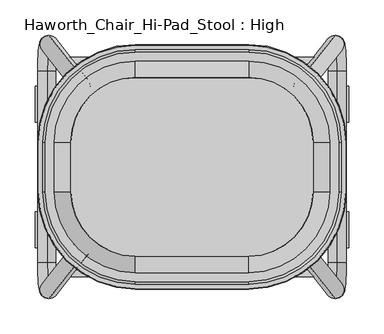
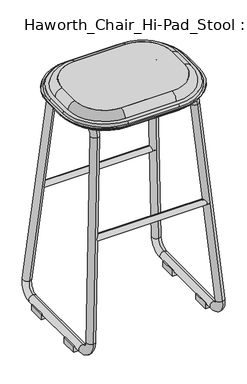
"""IFC4 building model written with IfcOpenShell, lengths in millimetres: furniture geometry, Haworth_Chair_Hi-Pad_Stool : High."""

from ifc_helpers import new_model, si_unit, point, frame, frame_2d, origin, place, context, project, spatial, polyline, circle_curve, ellipse_curve, trimmed, segment, composite_curve, outline, extrude, source, transform, mapped, element, save
from ifc_brep_helpers import plane_surface, cylinder_surface, revolved_surface, advanced_brep


def haworth_chair_hi_pad_stool_high_51b0d21f(model_context):
    return source(origin(), model_context, "Body", "SolidModel", [
        advanced_brep(
        [(-171.9189031, -34.925, 768.35), (-80.1154768, -126.7284262, 768.35), (80.1154768, -126.7284262, 768.35), (171.9189031, -34.925, 768.35), (171.9189031, 34.925, 768.35), (80.1154768, 126.7284262, 768.35), (-80.1154768, 126.7284262, 768.35), (-171.9189031, 34.925, 768.35), (-178.5135382, -34.925, 723.9250418), (-178.5135382, 34.925, 723.9250418), (-80.1154768, 133.3230614, 723.9250418), (80.1154768, 133.3230614, 723.9250418), (178.5135382, 34.925, 723.9250418), (178.5135382, -34.925, 723.9250418), (80.1154768, -133.3230614, 723.9250418), (-80.1154768, -133.3230614, 723.9250418)],
        [
            (0, 1, circle_curve(frame((-80.1154768, -34.925, 768.35), z_axis=(0.0, 0.0, 1.0), x_axis=(-1.0000000000000002, 0.0, 0.0)), 91.8034262)),
            (1, 2),
            (2, 3, circle_curve(frame((80.1154768, -34.925, 768.35), z_axis=(0.0, 0.0, 1.0), x_axis=(0.0, -1.0000000000000002, 0.0)), 91.8034262)),
            (3, 4),
            (4, 5, circle_curve(frame((80.1154768, 34.925, 768.35), z_axis=(0.0, 0.0, 1.0), x_axis=(1.0000000000000002, 0.0, 0.0)), 91.8034262)),
            (5, 6),
            (6, 7, circle_curve(frame((-80.1154768, 34.925, 768.35), z_axis=(0.0, 0.0, 1.0), x_axis=(0.0, 1.0000000000000002, 0.0)), 91.8034262)),
            (7, 0),
            (8, 9),
            (9, 10, circle_curve(frame((-80.1154768, 34.925, 723.9250418), z_axis=(0.0, 0.0, -1.0), x_axis=(0.0, 1.0000000000000002, 0.0)), 98.3980614)),
            (10, 11),
            (11, 12, circle_curve(frame((80.1154768, 34.925, 723.9250418), z_axis=(0.0, 0.0, -1.0), x_axis=(1.0000000000000002, 0.0, 0.0)), 98.3980614)),
            (12, 13),
            (13, 14, circle_curve(frame((80.1154768, -34.925, 723.9250418), z_axis=(0.0, 0.0, -1.0), x_axis=(0.0, -1.0000000000000002, 0.0)), 98.3980614)),
            (14, 15),
            (15, 8, circle_curve(frame((-80.1154768, -34.925, 723.9250418), z_axis=(0.0, 0.0, -1.0), x_axis=(-1.0000000000000002, 0.0, 0.0)), 98.3980614)),
            (15, 1),
            (0, 8),
            (14, 2),
            (13, 3),
            (12, 4),
            (11, 5),
            (10, 6),
            (9, 7),
        ],
        [
            plane_surface(frame((0.0, 0.0, 768.35), z_axis=(0.0, 0.0, 1.0), x_axis=(1.0, 0.0, 0.0))),
            plane_surface(frame((0.0, 0.0, 723.9250418), z_axis=(0.0, 0.0, -1.0), x_axis=(1.0, 0.0, 0.0))),
            revolved_surface(polyline([(-171.91890304995738, -34.925, 768.35), (-178.5135382, -34.925, 723.9250418)]), (-80.1154768, -34.925, 1386.7865444), (0.0, 0.0, -1.0)),
            plane_surface(frame((0.0, -133.3230614, 723.9250418), z_axis=(0.0, -0.989160943328851, 0.14683537786507003), x_axis=(1.0, 0.0, 0.0))),
            revolved_surface(polyline([(80.1154768, -126.72842624995738, 768.35), (80.1154768, -133.3230614, 723.9250418)]), (80.1154768, -34.925, 1386.7865444), (0.0, 0.0, -1.0)),
            plane_surface(frame((178.5135382, 0.0, 723.9250418), z_axis=(0.9891609433288493, 0.0, 0.14683537786508108), x_axis=(0.0, 1.0, 0.0))),
            revolved_surface(polyline([(171.91890304995738, 34.925, 768.35), (178.5135382, 34.925, 723.9250418)]), (80.1154768, 34.925, 1386.7865444), (0.0, 0.0, -1.0)),
            plane_surface(frame((0.0, 133.3230614, 723.9250418), z_axis=(0.0, 0.9891609433288517, 0.14683537786506412), x_axis=(-1.0, 0.0, 0.0))),
            revolved_surface(polyline([(-80.1154768, 126.72842624995738, 768.35), (-80.1154768, 133.3230614, 723.9250418)]), (-80.1154768, 34.925, 1386.7865444), (0.0, 0.0, -1.0)),
            plane_surface(frame((-178.5135382, 0.0, 723.9250418), z_axis=(-0.989160943328849, 0.0, 0.14683537786508405), x_axis=(0.0, -1.0, 0.0))),
        ],
        [
            (0, [[1, 2, 3, 4, 5, 6, 7, 8]]),
            (1, [[9, 10, 11, 12, 13, 14, 15, 16]]),
            (2, [[-16, 17, -1, 18]]),
            (3, [[-15, 19, -2, -17]]),
            (4, [[-14, 20, -3, -19]]),
            (5, [[-13, 21, -4, -20]]),
            (6, [[-12, 22, -5, -21]]),
            (7, [[-11, 23, -6, -22]]),
            (8, [[-10, 24, -7, -23]]),
            (9, [[-9, -18, -8, -24]]),
        ],
    ),
        advanced_brep(
        [(80.1154768, 126.7284262, 768.35), (-80.1154768, 126.7284262, 768.35), (-80.1154768, 133.3230614, 723.9250418), (80.1154768, 133.3230614, 723.9250418), (80.1154768, 149.9409798, 747.4493229), (-80.1154768, 149.9409798, 747.4493229), (-80.1154768, 127.3919978, 768.3597382), (-207.8314566, 34.925, 747.4493229), (-207.8314566, -34.925, 747.4493229), (-80.1154768, -162.6409798, 747.4493229), (80.1154768, -162.6409798, 747.4493229), (207.8314566, -34.925, 747.4493229), (207.8314566, 34.925, 747.4493229), (80.1154768, 162.6409798, 747.4493229), (-80.1154768, 162.6409798, 747.4493229), (195.1314566, 34.925, 747.4493229), (195.1314566, -34.925, 747.4493229), (80.1154768, -149.9409798, 747.4493229), (-80.1154768, -149.9409798, 747.4493229), (-195.1314566, -34.925, 747.4493229), (-195.1314566, 34.925, 747.4493229), (80.1154768, 166.2791169, 739.6473126), (-80.1154768, 166.2791169, 739.6473126), (-217.8195937, 34.925, 739.6473126), (-217.8195937, -34.925, 739.6473126), (-80.1154768, -172.6291169, 739.6473126), (80.1154768, -172.6291169, 739.6473126), (217.8195937, -34.925, 739.6473126), (217.8195937, 34.925, 739.6473126), (80.1154768, 172.6291169, 739.6473126), (-80.1154768, 172.6291169, 739.6473126), (211.4695937, 34.925, 739.6473126), (211.4695937, -34.925, 739.6473126), (80.1154768, -166.2791169, 739.6473126), (-80.1154768, -166.2791169, 739.6473126), (-211.4695937, -34.925, 739.6473126), (-211.4695937, 34.925, 739.6473126), (80.1154768, 173.4175169, 736.7049637), (-80.1154768, 173.4175169, 736.7049637), (218.6079938, 34.925, 736.7049637), (218.6079938, -34.925, 736.7049637), (80.1154768, -173.4175169, 736.7049637), (-80.1154768, -173.4175169, 736.7049637), (-218.6079938, -34.925, 736.7049637), (-218.6079938, 34.925, 736.7049637), (-212.2579938, 34.925, 736.7049637), (-212.2579938, -34.925, 736.7049637), (-80.1154768, -167.0675169, 736.7049637), (80.1154768, -167.0675169, 736.7049637), (212.2579938, -34.925, 736.7049637), (212.2579938, 34.925, 736.7049637), (80.1154768, 167.0675169, 736.7049637), (-80.1154768, 167.0675169, 736.7049637), (80.1154768, 163.4840689, 726.8595211), (-80.1154768, 163.4840689, 726.8595211), (171.9189031, 34.925, 768.35), (178.5135382, 34.925, 723.9250418), (208.6745457, 34.925, 726.8595211), (171.9189031, -34.925, 768.35), (178.5135382, -34.925, 723.9250418), (208.6745457, -34.925, 726.8595211), (80.1154768, -126.7284262, 768.35), (80.1154768, -133.3230614, 723.9250418), (80.1154768, -163.4840689, 726.8595211), (-80.1154768, -133.3230614, 723.9250418), (-80.1154768, -126.7284262, 768.35), (-80.1154768, -163.4840689, 726.8595211), (-171.9189031, 34.925, 768.35), (-178.5135382, 34.925, 723.9250418), (-208.6745457, 34.925, 726.8595211), (-178.5135382, -34.925, 723.9250418), (-171.9189031, -34.925, 768.35), (-208.6745457, -34.925, 726.8595211)],
        [
            (0, 1),
            (1, 2),
            (2, 3),
            (3, 0),
            (0, 4, circle_curve(frame((80.1154768, 127.3919978, 745.7465561), z_axis=(-1.0, 0.0, 0.0), x_axis=(0.0, 1.0000000000000002, 0.0)), 22.6131821)),
            (4, 5),
            (5, 6, circle_curve(frame((-80.1154768, 127.3919978, 745.7465561), z_axis=(1.0, 0.0, 0.0), x_axis=(0.0, 1.0000000000000002, 0.0)), 22.6131821)),
            (6, 1, circle_curve(frame((-80.1154768, 127.3919978, 745.7465561), z_axis=(1.0, 0.0, 0.0), x_axis=(0.0, 1.0000000000000002, 0.0)), 22.6131821)),
            (7, 8),
            (8, 9, circle_curve(frame((-80.1154768, -34.925, 747.4493229), z_axis=(0.0, 0.0, 1.0), x_axis=(-1.0000000000000002, 0.0, 0.0)), 127.7159798)),
            (9, 10),
            (10, 11, circle_curve(frame((80.1154768, -34.925, 747.4493229), z_axis=(0.0, 0.0, 1.0), x_axis=(1.0000000000000002, 0.0, 0.0)), 127.7159798)),
            (11, 12),
            (12, 13, circle_curve(frame((80.1154768, 34.925, 747.4493229), z_axis=(0.0, 0.0, 1.0), x_axis=(1.0000000000000002, 0.0, 0.0)), 127.7159798)),
            (13, 14),
            (14, 7, circle_curve(frame((-80.1154768, 34.925, 747.4493229), z_axis=(0.0, 0.0, 1.0), x_axis=(-1.0000000000000002, 0.0, 0.0)), 127.7159798)),
            (4, 15, circle_curve(frame((80.1154768, 34.925, 747.4493229), z_axis=(0.0, 0.0, -1.0), x_axis=(1.0000000000000002, 0.0, 0.0)), 115.0159798)),
            (15, 16),
            (16, 17, circle_curve(frame((80.1154768, -34.925, 747.4493229), z_axis=(0.0, 0.0, -1.0), x_axis=(1.0000000000000002, 0.0, 0.0)), 115.0159798)),
            (17, 18),
            (18, 19, circle_curve(frame((-80.1154768, -34.925, 747.4493229), z_axis=(0.0, 0.0, -1.0), x_axis=(-1.0000000000000002, 0.0, 0.0)), 115.0159798)),
            (19, 20),
            (20, 5, circle_curve(frame((-80.1154768, 34.925, 747.4493229), z_axis=(0.0, 0.0, -1.0), x_axis=(-1.0000000000000002, 0.0, 0.0)), 115.0159798)),
            (13, 21, circle_curve(frame((80.1154768, 153.8392427, 738.5957548), z_axis=(-1.0, 0.0, 0.0), x_axis=(0.0, 1.0000000000000002, 0.0)), 12.4842398)),
            (21, 22),
            (22, 14, circle_curve(frame((-80.1154768, 153.8392427, 738.5957548), z_axis=(1.0, 0.0, 0.0), x_axis=(0.0, 1.0000000000000002, 0.0)), 12.4842398)),
            (23, 24),
            (24, 25, circle_curve(frame((-80.1154768, -34.925, 739.6473126), z_axis=(0.0, 0.0, 1.0), x_axis=(-1.0000000000000002, 0.0, 0.0)), 137.7041169)),
            (25, 26),
            (26, 27, circle_curve(frame((80.1154768, -34.925, 739.6473126), z_axis=(0.0, 0.0, 1.0), x_axis=(1.0000000000000002, 0.0, 0.0)), 137.7041169)),
            (27, 28),
            (28, 29, circle_curve(frame((80.1154768, 34.925, 739.6473126), z_axis=(0.0, 0.0, 1.0), x_axis=(1.0000000000000002, 0.0, 0.0)), 137.7041169)),
            (29, 30),
            (30, 23, circle_curve(frame((-80.1154768, 34.925, 739.6473126), z_axis=(0.0, 0.0, 1.0), x_axis=(-1.0000000000000002, 0.0, 0.0)), 137.7041169)),
            (21, 31, circle_curve(frame((80.1154768, 34.925, 739.6473126), z_axis=(0.0, 0.0, -1.0), x_axis=(1.0000000000000002, 0.0, 0.0)), 131.3541169)),
            (31, 32),
            (32, 33, circle_curve(frame((80.1154768, -34.925, 739.6473126), z_axis=(0.0, 0.0, -1.0), x_axis=(1.0000000000000002, 0.0, 0.0)), 131.3541169)),
            (33, 34),
            (34, 35, circle_curve(frame((-80.1154768, -34.925, 739.6473126), z_axis=(0.0, 0.0, -1.0), x_axis=(-1.0000000000000002, 0.0, 0.0)), 131.3541169)),
            (35, 36),
            (36, 22, circle_curve(frame((-80.1154768, 34.925, 739.6473126), z_axis=(0.0, 0.0, -1.0), x_axis=(-1.0000000000000002, 0.0, 0.0)), 131.3541169)),
            (29, 37),
            (37, 38),
            (38, 30),
            (37, 39, circle_curve(frame((80.1154768, 34.925, 736.7049637), z_axis=(0.0, 0.0, -1.0), x_axis=(1.0000000000000002, 0.0, 0.0)), 138.4925169)),
            (39, 40),
            (40, 41, circle_curve(frame((80.1154768, -34.925, 736.7049637), z_axis=(0.0, 0.0, -1.0), x_axis=(1.0000000000000002, 0.0, 0.0)), 138.4925169)),
            (41, 42),
            (42, 43, circle_curve(frame((-80.1154768, -34.925, 736.7049637), z_axis=(0.0, 0.0, -1.0), x_axis=(-1.0000000000000002, 0.0, 0.0)), 138.4925169)),
            (43, 44),
            (44, 38, circle_curve(frame((-80.1154768, 34.925, 736.7049637), z_axis=(0.0, 0.0, -1.0), x_axis=(-1.0000000000000002, 0.0, 0.0)), 138.4925169)),
            (45, 46),
            (46, 47, circle_curve(frame((-80.1154768, -34.925, 736.7049637), z_axis=(0.0, 0.0, 1.0), x_axis=(-1.0000000000000002, 0.0, 0.0)), 132.1425169)),
            (47, 48),
            (48, 49, circle_curve(frame((80.1154768, -34.925, 736.7049637), z_axis=(0.0, 0.0, 1.0), x_axis=(1.0000000000000002, 0.0, 0.0)), 132.1425169)),
            (49, 50),
            (50, 51, circle_curve(frame((80.1154768, 34.925, 736.7049637), z_axis=(0.0, 0.0, 1.0), x_axis=(1.0000000000000002, 0.0, 0.0)), 132.1425169)),
            (51, 52),
            (52, 45, circle_curve(frame((-80.1154768, 34.925, 736.7049637), z_axis=(0.0, 0.0, 1.0), x_axis=(-1.0000000000000002, 0.0, 0.0)), 132.1425169)),
            (51, 53, circle_curve(frame((80.1154768, 148.476041, 737.896852), z_axis=(-1.0, 0.0, 0.0), x_axis=(0.0, 1.0000000000000002, 0.0)), 18.6296423)),
            (53, 54),
            (54, 52, circle_curve(frame((-80.1154768, 148.476041, 737.896852), z_axis=(1.0, 0.0, 0.0), x_axis=(0.0, 1.0000000000000002, 0.0)), 18.6296423)),
            (2, 54),
            (53, 3),
            (0, 55, circle_curve(frame((80.1154768, 34.925, 768.35), z_axis=(0.0, 0.0, -1.0), x_axis=(1.0000000000000002, 0.0, 0.0)), 91.8034262)),
            (55, 15, circle_curve(frame((172.5824746, 34.925, 745.7465561), z_axis=(0.0, 1.0000000000000002, 0.0), x_axis=(0.0, 0.0, 1.0)), 22.6131821)),
            (3, 56, circle_curve(frame((80.1154768, 34.925, 723.9250418), z_axis=(0.0, 0.0, -1.0), x_axis=(1.0000000000000002, 0.0, 0.0)), 98.3980614)),
            (56, 55),
            (53, 57, circle_curve(frame((80.1154768, 34.925, 726.8595211), z_axis=(0.0, 0.0, -1.0), x_axis=(1.0000000000000002, 0.0, 0.0)), 128.5590689)),
            (57, 56),
            (50, 57, circle_curve(frame((193.6665179, 34.925, 737.896852), z_axis=(0.0, 1.0000000000000002, 0.0), x_axis=(0.0, 0.0, 1.0)), 18.6296423)),
            (28, 39),
            (12, 31, circle_curve(frame((199.0297195, 34.925, 738.5957548), z_axis=(0.0, 1.0000000000000002, 0.0), x_axis=(0.0, 0.0, 1.0)), 12.4842398)),
            (58, 55),
            (56, 59),
            (59, 58),
            (57, 60),
            (60, 59),
            (49, 60, circle_curve(frame((193.6665179, -34.925, 737.896852), z_axis=(0.0, 1.0, 0.0), x_axis=(0.0, 0.0, 1.0)), 18.6296423)),
            (27, 40),
            (11, 32, circle_curve(frame((199.0297195, -34.925, 738.5957548), z_axis=(0.0, 1.0, 0.0), x_axis=(0.0, 0.0, 1.0)), 12.4842398)),
            (58, 16, circle_curve(frame((172.5824746, -34.925, 745.7465561), z_axis=(0.0, 1.0, 0.0), x_axis=(0.0, 0.0, 1.0)), 22.6131821)),
            (58, 61, circle_curve(frame((80.1154768, -34.925, 768.35), z_axis=(0.0, 0.0, -1.0), x_axis=(1.0000000000000002, 0.0, 0.0)), 91.8034262)),
            (61, 17, circle_curve(frame((80.1154768, -127.3919978, 745.7465561), z_axis=(1.0000000000000002, 0.0, 0.0), x_axis=(0.0, 0.0, 1.0)), 22.6131821)),
            (59, 62, circle_curve(frame((80.1154768, -34.925, 723.9250418), z_axis=(0.0, 0.0, -1.0), x_axis=(1.0000000000000002, 0.0, 0.0)), 98.3980614)),
            (62, 61),
            (60, 63, circle_curve(frame((80.1154768, -34.925, 726.8595211), z_axis=(0.0, 0.0, -1.0), x_axis=(1.0000000000000002, 0.0, 0.0)), 128.5590689)),
            (63, 62),
            (48, 63, circle_curve(frame((80.1154768, -148.476041, 737.896852), z_axis=(1.0000000000000002, 0.0, 0.0), x_axis=(0.0, 0.0, 1.0)), 18.6296423)),
            (26, 41),
            (10, 33, circle_curve(frame((80.1154768, -153.8392427, 738.5957548), z_axis=(1.0000000000000002, 0.0, 0.0), x_axis=(0.0, 0.0, 1.0)), 12.4842398)),
            (62, 64),
            (64, 65),
            (65, 61),
            (65, 18, circle_curve(frame((-80.1154768, -127.3919978, 745.7465561), z_axis=(1.0, 0.0, 0.0), x_axis=(0.0, -1.0000000000000002, 0.0)), 22.6131821)),
            (9, 34, circle_curve(frame((-80.1154768, -153.8392427, 738.5957548), z_axis=(1.0, 0.0, 0.0), x_axis=(0.0, -1.0000000000000002, 0.0)), 12.4842398)),
            (25, 42),
            (47, 66, circle_curve(frame((-80.1154768, -148.476041, 737.896852), z_axis=(1.0, 0.0, 0.0), x_axis=(0.0, -1.0000000000000002, 0.0)), 18.6296423)),
            (66, 63),
            (66, 64),
            (20, 67, circle_curve(frame((-172.5824746, 34.925, 745.7465561), z_axis=(0.0, 1.0000000000000002, 0.0), x_axis=(0.0, 0.0, 1.0)), 22.6131821)),
            (67, 1, circle_curve(frame((-80.1154768, 34.925, 768.35), z_axis=(0.0, 0.0, -1.0), x_axis=(-1.0000000000000002, 0.0, 0.0)), 91.8034262)),
            (67, 68),
            (68, 2, circle_curve(frame((-80.1154768, 34.925, 723.9250418), z_axis=(0.0, 0.0, -1.0), x_axis=(-1.0000000000000002, 0.0, 0.0)), 98.3980614)),
            (68, 69),
            (69, 54, circle_curve(frame((-80.1154768, 34.925, 726.8595211), z_axis=(0.0, 0.0, -1.0), x_axis=(-1.0000000000000002, 0.0, 0.0)), 128.5590689)),
            (69, 45, circle_curve(frame((-193.6665179, 34.925, 737.896852), z_axis=(0.0, 1.0000000000000002, 0.0), x_axis=(0.0, 0.0, 1.0)), 18.6296423)),
            (44, 23),
            (36, 7, circle_curve(frame((-199.0297195, 34.925, 738.5957548), z_axis=(0.0, 1.0000000000000002, 0.0), x_axis=(0.0, 0.0, 1.0)), 12.4842398)),
            (70, 68),
            (67, 71),
            (71, 70),
            (70, 72),
            (72, 69),
            (72, 46, circle_curve(frame((-193.6665179, -34.925, 737.896852), z_axis=(0.0, 1.0, 0.0), x_axis=(0.0, 0.0, 1.0)), 18.6296423)),
            (43, 24),
            (35, 8, circle_curve(frame((-199.0297195, -34.925, 738.5957548), z_axis=(0.0, 1.0, 0.0), x_axis=(0.0, 0.0, 1.0)), 12.4842398)),
            (19, 71, circle_curve(frame((-172.5824746, -34.925, 745.7465561), z_axis=(0.0, 1.0, 0.0), x_axis=(0.0, 0.0, 1.0)), 22.6131821)),
            (65, 71, circle_curve(frame((-80.1154768, -34.925, 768.35), z_axis=(0.0, 0.0, -1.0), x_axis=(-1.0000000000000002, 0.0, 0.0)), 91.8034262)),
            (64, 70, circle_curve(frame((-80.1154768, -34.925, 723.9250418), z_axis=(0.0, 0.0, -1.0), x_axis=(-1.0000000000000002, 0.0, 0.0)), 98.3980614)),
            (66, 72, circle_curve(frame((-80.1154768, -34.925, 726.8595211), z_axis=(0.0, 0.0, -1.0), x_axis=(-1.0000000000000002, 0.0, 0.0)), 128.5590689)),
        ],
        [
            plane_surface(frame((80.1154768, 126.7284262, 768.35), z_axis=(0.0, -0.9891609433288518, -0.1468353778650639), x_axis=(-1.0, 0.0, 0.0))),
            cylinder_surface(frame((-80.1154768, 127.3919978, 745.7465561), z_axis=(1.0000000000000002, 0.0, 0.0), x_axis=(0.0, 1.0000000000000002, 0.0)), 22.6131821),
            plane_surface(frame((80.1154768, 162.6409798, 747.4493229), z_axis=(0.0, 0.0, 1.0), x_axis=(-1.0, 0.0, 0.0))),
            cylinder_surface(frame((-80.1154768, 153.8392427, 738.5957548), z_axis=(1.0000000000000002, 0.0, 0.0), x_axis=(0.0, 1.0000000000000002, 0.0)), 12.4842398),
            plane_surface(frame((80.1154768, 172.6291169, 739.6473126), z_axis=(0.0, 0.0, 1.0), x_axis=(-1.0, 0.0, 0.0))),
            plane_surface(frame((80.1154768, 173.4175169, 736.7049637), z_axis=(0.0, 0.9659258262890752, 0.2588190451024952), x_axis=(-1.0, 0.0, 0.0))),
            plane_surface(frame((80.1154768, 167.0675169, 736.7049637), z_axis=(0.0, 0.0, -1.0), x_axis=(-1.0, 0.0, 0.0))),
            cylinder_surface(frame((-80.1154768, 148.476041, 737.896852), z_axis=(1.0000000000000002, 0.0, 0.0), x_axis=(0.0, 1.0000000000000002, 0.0)), 18.6296423),
            plane_surface(frame((80.1154768, 133.3230614, 723.9250418), z_axis=(0.0, 0.09683655773188508, -0.9953002969388883), x_axis=(-1.0, 0.0, 0.0))),
            revolved_surface(trimmed(ellipse_curve(frame((172.5824746, 34.925, 745.7465561), z_axis=(0.0, -1.0000000000000002, 0.0), x_axis=(0.0, 0.0, 1.0)), 22.6131821, 22.6131821), [point((195.1314566, 34.925, 747.4493229))], [point((171.9189031, 34.925, 768.35))], True, "CARTESIAN"), (80.1154768, 34.925, 859.9074778), (0.0, 0.0, 1.0)),
            revolved_surface(polyline([(171.9189031, 34.925, 768.35), (178.5135382, 34.925, 723.9250418)]), (80.1154768, 34.925, 859.9074778), (0.0, 0.0, 1.0)),
            revolved_surface(polyline([(178.5135382, 34.925, 723.9250418), (208.6745457, 34.925, 726.8595211)]), (80.1154768, 34.925, 859.9074778), (0.0, 0.0, 1.0)),
            revolved_surface(trimmed(ellipse_curve(frame((193.6665179, 34.925, 737.896852), z_axis=(0.0, -1.0000000000000002, 0.0), x_axis=(0.0, 0.0, 1.0)), 18.6296423, 18.6296423), [point((208.6745457, 34.925, 726.8595211))], [point((212.2579938, 34.925, 736.7049637))], True, "CARTESIAN"), (80.1154768, 34.925, 859.9074778), (0.0, 0.0, 1.0)),
            revolved_surface(polyline([(218.6079938, 34.925, 736.7049637), (217.8195937, 34.925, 739.6473126)]), (80.1154768, 34.925, 859.9074778), (0.0, 0.0, 1.0)),
            revolved_surface(trimmed(ellipse_curve(frame((199.0297195, 34.925, 738.5957548), z_axis=(0.0, -1.0000000000000002, 0.0), x_axis=(0.0, 0.0, 1.0)), 12.4842398, 12.4842398), [point((211.4695937, 34.925, 739.6473126))], [point((207.8314566, 34.925, 747.4493229))], True, "CARTESIAN"), (80.1154768, 34.925, 859.9074778), (0.0, 0.0, 1.0)),
            plane_surface(frame((171.9189031, -34.925, 768.35), z_axis=(-0.9891609433288493, 0.0, -0.14683537786508108), x_axis=(0.0, 1.0, 0.0))),
            plane_surface(frame((178.5135382, -34.925, 723.9250418), z_axis=(0.09683655773190229, 0.0, -0.9953002969388867), x_axis=(0.0, 1.0, 0.0))),
            cylinder_surface(frame((193.6665179, 34.925, 737.896852), z_axis=(0.0, -1.0000000000000002, 0.0), x_axis=(0.0, 0.0, 1.0)), 18.6296423),
            plane_surface(frame((218.6079938, -34.925, 736.7049637), z_axis=(0.9659258262890694, 0.0, 0.2588190451025166), x_axis=(0.0, 1.0, 0.0))),
            cylinder_surface(frame((199.0297195, 34.925, 738.5957548), z_axis=(0.0, -1.0000000000000002, 0.0), x_axis=(0.0, 0.0, 1.0)), 12.4842398),
            cylinder_surface(frame((172.5824746, 34.925, 745.7465561), z_axis=(0.0, -1.0000000000000002, 0.0), x_axis=(0.0, 0.0, 1.0)), 22.6131821),
            revolved_surface(trimmed(ellipse_curve(frame((172.5824746, -34.925, 745.7465561), z_axis=(0.0, 1.0000000000000002, 0.0), x_axis=(0.0, 0.0, 1.0)), 22.6131821, 22.6131821), [point((171.9189031, -34.925, 768.35))], [point((195.1314566, -34.925, 747.4493229))], True, "CARTESIAN"), (80.1154768, -34.925, 859.9074778), (0.0, 0.0, -1.0)),
            revolved_surface(polyline([(178.5135382, -34.925, 723.9250418), (171.9189031, -34.925, 768.35)]), (80.1154768, -34.925, 859.9074778), (0.0, 0.0, -1.0)),
            revolved_surface(polyline([(208.6745457, -34.925, 726.8595211), (178.5135382, -34.925, 723.9250418)]), (80.1154768, -34.925, 859.9074778), (0.0, 0.0, -1.0)),
            revolved_surface(trimmed(ellipse_curve(frame((193.6665179, -34.925, 737.896852), z_axis=(0.0, 1.0000000000000002, 0.0), x_axis=(0.0, 0.0, 1.0)), 18.6296423, 18.6296423), [point((212.2579938, -34.925, 736.7049637))], [point((208.6745457, -34.925, 726.8595211))], True, "CARTESIAN"), (80.1154768, -34.925, 859.9074778), (0.0, 0.0, -1.0)),
            revolved_surface(polyline([(217.8195937, -34.925, 739.6473126), (218.6079938, -34.925, 736.7049637)]), (80.1154768, -34.925, 859.9074778), (0.0, 0.0, -1.0)),
            revolved_surface(trimmed(ellipse_curve(frame((199.0297195, -34.925, 738.5957548), z_axis=(0.0, 1.0000000000000002, 0.0), x_axis=(0.0, 0.0, 1.0)), 12.4842398, 12.4842398), [point((207.8314566, -34.925, 747.4493229))], [point((211.4695937, -34.925, 739.6473126))], True, "CARTESIAN"), (80.1154768, -34.925, 859.9074778), (0.0, 0.0, -1.0)),
            plane_surface(frame((80.1154768, -133.3230614, 723.9250418), z_axis=(0.0, 0.9891609433288518, -0.14683537786506393), x_axis=(-1.0, 0.0, 0.0))),
            cylinder_surface(frame((-80.1154768, -127.3919978, 745.7465561), z_axis=(1.0000000000000002, 0.0, 0.0), x_axis=(0.0, -1.0000000000000002, 0.0)), 22.6131821),
            cylinder_surface(frame((-80.1154768, -153.8392427, 738.5957548), z_axis=(1.0000000000000002, 0.0, 0.0), x_axis=(0.0, -1.0000000000000002, 0.0)), 12.4842398),
            plane_surface(frame((80.1154768, -172.6291169, 739.6473126), z_axis=(0.0, -0.9659258262890752, 0.2588190451024952), x_axis=(-1.0, 0.0, 0.0))),
            cylinder_surface(frame((-80.1154768, -148.476041, 737.896852), z_axis=(1.0000000000000002, 0.0, 0.0), x_axis=(0.0, -1.0000000000000002, 0.0)), 18.6296423),
            plane_surface(frame((80.1154768, -163.4840689, 726.8595211), z_axis=(0.0, -0.0968365577318848, -0.9953002969388883), x_axis=(-1.0, 0.0, 0.0))),
            revolved_surface(trimmed(ellipse_curve(frame((-172.5824746, 34.925, 745.7465561), z_axis=(0.0, -1.0000000000000002, 0.0), x_axis=(0.0, 0.0, 1.0)), 22.6131821, 22.6131821), [point((-171.9189031, 34.925, 768.35))], [point((-195.1314566, 34.925, 747.4493229))], True, "CARTESIAN"), (-80.1154768, 34.925, 859.9074778), (0.0, 0.0, -1.0)),
            revolved_surface(polyline([(-178.5135382, 34.925, 723.9250418), (-171.9189031, 34.925, 768.35)]), (-80.1154768, 34.925, 859.9074778), (0.0, 0.0, -1.0)),
            revolved_surface(polyline([(-208.6745457, 34.925, 726.8595211), (-178.5135382, 34.925, 723.9250418)]), (-80.1154768, 34.925, 859.9074778), (0.0, 0.0, -1.0)),
            revolved_surface(trimmed(ellipse_curve(frame((-193.6665179, 34.925, 737.896852), z_axis=(0.0, -1.0000000000000002, 0.0), x_axis=(0.0, 0.0, 1.0)), 18.6296423, 18.6296423), [point((-212.2579938, 34.925, 736.7049637))], [point((-208.6745457, 34.925, 726.8595211))], True, "CARTESIAN"), (-80.1154768, 34.925, 859.9074778), (0.0, 0.0, -1.0)),
            revolved_surface(polyline([(-217.8195937, 34.925, 739.6473126), (-218.6079938, 34.925, 736.7049637)]), (-80.1154768, 34.925, 859.9074778), (0.0, 0.0, -1.0)),
            revolved_surface(trimmed(ellipse_curve(frame((-199.0297195, 34.925, 738.5957548), z_axis=(0.0, -1.0000000000000002, 0.0), x_axis=(0.0, 0.0, 1.0)), 12.4842398, 12.4842398), [point((-207.8314566, 34.925, 747.4493229))], [point((-211.4695937, 34.925, 739.6473126))], True, "CARTESIAN"), (-80.1154768, 34.925, 859.9074778), (0.0, 0.0, -1.0)),
            plane_surface(frame((-178.5135382, -34.925, 723.9250418), z_axis=(0.9891609433288493, 0.0, -0.14683537786508108), x_axis=(0.0, 1.0, 0.0))),
            plane_surface(frame((-208.6745457, -34.925, 726.8595211), z_axis=(-0.09683655773190229, 0.0, -0.9953002969388867), x_axis=(0.0, 1.0, 0.0))),
            cylinder_surface(frame((-193.6665179, 34.925, 737.896852), z_axis=(0.0, -1.0000000000000002, 0.0), x_axis=(0.0, 0.0, 1.0)), 18.6296423),
            plane_surface(frame((-217.8195937, -34.925, 739.6473126), z_axis=(-0.9659258262890694, 0.0, 0.2588190451025166), x_axis=(0.0, 1.0, 0.0))),
            cylinder_surface(frame((-199.0297195, 34.925, 738.5957548), z_axis=(0.0, -1.0000000000000002, 0.0), x_axis=(0.0, 0.0, 1.0)), 12.4842398),
            cylinder_surface(frame((-172.5824746, 34.925, 745.7465561), z_axis=(0.0, -1.0000000000000002, 0.0), x_axis=(0.0, 0.0, 1.0)), 22.6131821),
            revolved_surface(trimmed(ellipse_curve(frame((-172.5824746, -34.925, 745.7465561), z_axis=(0.0, 1.0000000000000002, 0.0), x_axis=(0.0, 0.0, 1.0)), 22.6131821, 22.6131821), [point((-195.1314566, -34.925, 747.4493229))], [point((-171.9189031, -34.925, 768.35))], True, "CARTESIAN"), (-80.1154768, -34.925, 859.9074778), (0.0, 0.0, 1.0)),
            revolved_surface(polyline([(-171.9189031, -34.925, 768.35), (-178.5135382, -34.925, 723.9250418)]), (-80.1154768, -34.925, 859.9074778), (0.0, 0.0, 1.0)),
            revolved_surface(polyline([(-178.5135382, -34.925, 723.9250418), (-208.6745457, -34.925, 726.8595211)]), (-80.1154768, -34.925, 859.9074778), (0.0, 0.0, 1.0)),
            revolved_surface(trimmed(ellipse_curve(frame((-193.6665179, -34.925, 737.896852), z_axis=(0.0, 1.0000000000000002, 0.0), x_axis=(0.0, 0.0, 1.0)), 18.6296423, 18.6296423), [point((-208.6745457, -34.925, 726.8595211))], [point((-212.2579938, -34.925, 736.7049637))], True, "CARTESIAN"), (-80.1154768, -34.925, 859.9074778), (0.0, 0.0, 1.0)),
            revolved_surface(polyline([(-218.6079938, -34.925, 736.7049637), (-217.8195937, -34.925, 739.6473126)]), (-80.1154768, -34.925, 859.9074778), (0.0, 0.0, 1.0)),
            revolved_surface(trimmed(ellipse_curve(frame((-199.0297195, -34.925, 738.5957548), z_axis=(0.0, 1.0000000000000002, 0.0), x_axis=(0.0, 0.0, 1.0)), 12.4842398, 12.4842398), [point((-211.4695937, -34.925, 739.6473126))], [point((-207.8314566, -34.925, 747.4493229))], True, "CARTESIAN"), (-80.1154768, -34.925, 859.9074778), (0.0, 0.0, 1.0)),
        ],
        [
            (0, [[1, 2, 3, 4]]),
            (1, [[-1, 5, 6, 7, 8]]),
            (2, [[9, 10, 11, 12, 13, 14, 15, 16], [-6, 17, 18, 19, 20, 21, 22, 23]]),
            (3, [[-15, 24, 25, 26]]),
            (4, [[27, 28, 29, 30, 31, 32, 33, 34], [-25, 35, 36, 37, 38, 39, 40, 41]]),
            (5, [[-33, 42, 43, 44]]),
            (6, [[-43, 45, 46, 47, 48, 49, 50, 51], [52, 53, 54, 55, 56, 57, 58, 59]]),
            (7, [[-58, 60, 61, 62]]),
            (8, [[-3, 63, -61, 64]]),
            (9, [[65, 66, -17, -5]]),
            (10, [[-65, -4, 67, 68]]),
            (11, [[-67, -64, 69, 70]]),
            (12, [[-69, -60, -57, 71]]),
            (13, [[-45, -42, -32, 72]]),
            (14, [[-35, -24, -14, 73]]),
            (15, [[74, -68, 75, 76]]),
            (16, [[-75, -70, 77, 78]]),
            (17, [[-77, -71, -56, 79]]),
            (18, [[-46, -72, -31, 80]]),
            (19, [[-36, -73, -13, 81]]),
            (20, [[-74, 82, -18, -66]]),
            (21, [[-19, -82, 83, 84]]),
            (22, [[-83, -76, 85, 86]]),
            (23, [[-85, -78, 87, 88]]),
            (24, [[-87, -79, -55, 89]]),
            (25, [[-47, -80, -30, 90]]),
            (26, [[-37, -81, -12, 91]]),
            (27, [[92, 93, 94, -86]]),
            (28, [[-94, 95, -20, -84]]),
            (29, [[-11, 96, -38, -91]]),
            (30, [[-29, 97, -48, -90]]),
            (31, [[-54, 98, 99, -89]]),
            (32, [[-92, -88, -99, 100]]),
            (33, [[-23, 101, 102, -8, -7]]),
            (34, [[-102, 103, 104, -2]]),
            (35, [[-104, 105, 106, -63]]),
            (36, [[-106, 107, -59, -62]]),
            (37, [[-51, 108, -34, -44]]),
            (38, [[-41, 109, -16, -26]]),
            (39, [[110, -103, 111, 112]]),
            (40, [[-110, 113, 114, -105]]),
            (41, [[-114, 115, -52, -107]]),
            (42, [[-50, 116, -27, -108]]),
            (43, [[-40, 117, -9, -109]]),
            (44, [[-111, -101, -22, 118]]),
            (45, [[119, -118, -21, -95]]),
            (46, [[-119, -93, 120, -112]]),
            (47, [[-120, -100, 121, -113]]),
            (48, [[-121, -98, -53, -115]]),
            (49, [[-49, -97, -28, -116]]),
            (50, [[-39, -96, -10, -117]]),
        ],
    ),
        extrude(outline(composite_curve([segment(polyline([(19.05, 190.5), (0.0, 190.5), (0.0, 222.25), (19.05, 222.25), (19.05, 219.075)]), True, "CONTINUOUS"), segment(trimmed(circle_curve(frame_2d((19.05, 206.375)), 12.7), [point((19.05, 219.075))], [point((19.05, 193.675))], True, "CARTESIAN"), True, "CONTINUOUS"), segment(polyline([(19.05, 193.675), (19.05, 190.5)]), True, "CONTINUOUS")], self_intersect=False)), frame((0.0, -114.3, 0.0), z_axis=(0.0, 1.0, 0.0), x_axis=(0.0, 0.0, 1.0)), (0.0, 0.0, 1.0), 50.8),
        extrude(outline(composite_curve([segment(polyline([(19.05, 190.5), (0.0, 190.5), (0.0, 222.25), (19.05, 222.25), (19.05, 219.075)]), True, "CONTINUOUS"), segment(trimmed(circle_curve(frame_2d((19.05, 206.375)), 12.7), [point((19.05, 219.075))], [point((19.05, 193.675))], True, "CARTESIAN"), True, "CONTINUOUS"), segment(polyline([(19.05, 193.675), (19.05, 190.5)]), True, "CONTINUOUS")], self_intersect=False)), frame((0.0, 63.5, 0.0), z_axis=(0.0, 1.0, 0.0), x_axis=(0.0, 0.0, 1.0)), (0.0, 0.0, 1.0), 50.8),
        extrude(outline(composite_curve([segment(polyline([(19.05, -190.5), (19.05, -193.675)]), True, "CONTINUOUS"), segment(trimmed(circle_curve(frame_2d((19.05, -206.375)), 12.7), [point((19.05, -193.675))], [point((19.05, -219.075))], True, "CARTESIAN"), True, "CONTINUOUS"), segment(polyline([(19.05, -219.075), (19.05, -222.25), (0.0, -222.25), (0.0, -190.5), (19.05, -190.5)]), True, "CONTINUOUS")], self_intersect=False)), frame((0.0, -114.3, 0.0), z_axis=(0.0, 1.0, 0.0), x_axis=(0.0, 0.0, 1.0)), (0.0, 0.0, 1.0), 50.8),
        extrude(outline(composite_curve([segment(polyline([(19.05, -190.5), (19.05, -193.675)]), True, "CONTINUOUS"), segment(trimmed(circle_curve(frame_2d((19.05, -206.375)), 12.7), [point((19.05, -193.675))], [point((19.05, -219.075))], True, "CARTESIAN"), True, "CONTINUOUS"), segment(polyline([(19.05, -219.075), (19.05, -222.25), (0.0, -222.25), (0.0, -190.5), (19.05, -190.5)]), True, "CONTINUOUS")], self_intersect=False)), frame((0.0, 63.5, 0.0), z_axis=(0.0, 1.0, 0.0), x_axis=(0.0, 0.0, 1.0)), (0.0, 0.0, 1.0), 50.8),
        extrude(outline(composite_curve([segment(trimmed(circle_curve(frame_2d((146.05, 381.0)), 9.525), [point((146.05, 371.475))], [point((146.05, 390.525))], False, "CARTESIAN"), True, "CONTINUOUS"), segment(trimmed(circle_curve(frame_2d((146.05, 381.0)), 9.525), [point((146.05, 390.525))], [point((146.05, 371.475))], False, "CARTESIAN"), True, "CONTINUOUS")], self_intersect=False)), frame((-181.0934619, 0.0, 0.0), z_axis=(1.0, 0.0, 0.0), x_axis=(0.0, 1.0, 0.0)), (0.0, 0.0, 1.0), 362.2632643),
        extrude(outline(composite_curve([segment(trimmed(circle_curve(frame_2d((-146.05, 381.0)), 9.525), [point((-146.05, 371.475))], [point((-146.05, 390.525))], False, "CARTESIAN"), True, "CONTINUOUS"), segment(trimmed(circle_curve(frame_2d((-146.05, 381.0)), 9.525), [point((-146.05, 390.525))], [point((-146.05, 371.475))], False, "CARTESIAN"), True, "CONTINUOUS")], self_intersect=False)), frame((-181.0934619, 0.0, 0.0), z_axis=(1.0, 0.0, 0.0), x_axis=(0.0, 1.0, 0.0)), (0.0, 0.0, 1.0), 362.2632643),
        advanced_brep(
        [(206.8878631, -136.0922452, 7.6863711), (202.9065849, -186.6850447, 62.9266063), (203.0713295, -161.388645, 60.6407759), (205.0619686, -136.0922452, 33.0206583), (205.0619686, 136.0601329, 33.0206583), (206.8878631, 136.0601329, 7.6863711), (202.9037974, 186.6494044, 62.9652827), (203.0699357, 161.3547687, 60.6601141), (157.3322626, 103.2206117, 695.2703289), (157.1661243, 128.5152474, 697.5754975), (154.6764899, 90.5732939, 732.1191754), (156.5023844, 90.5732939, 706.7848882), (156.5023844, -91.0971207, 706.7848882), (154.6764899, -91.0971207, 732.1191754), (157.1682149, -129.0417203, 697.5464902), (157.3329594, -103.7453205, 695.2606598)],
        [
            (0, 1, circle_curve(frame((203.236074, -136.0922452, 58.3549455), z_axis=(-0.9974128827217472, 0.0, -0.07188561316907627), x_axis=(-0.006486005276111782, -0.9959212486506532, 0.08999332320612442)), 50.8)),
            (1, 2, circle_curve(frame((202.9889572, -174.0368448, 61.7836911), z_axis=(0.07159240962736416, -0.09022675039102153, -0.99334468358049), x_axis=(0.006486005276111792, 0.9959212486506532, -0.08999332320612433)), 12.7)),
            (2, 3, circle_curve(frame((203.236074, -136.0922452, 58.3549455), z_axis=(0.9974128827217472, 0.0, 0.07188561316907627), x_axis=(-0.006486005276111782, -0.9959212486506532, 0.08999332320612442)), 25.4)),
            (3, 0, circle_curve(frame((205.9749159, -136.0922452, 20.3535147), z_axis=(0.0, -1.0, 0.0), x_axis=(-0.07188561316907625, 0.0, 0.9974128827217471)), 12.7)),
            (2, 1, circle_curve(frame((202.9889572, -174.0368448, 61.7836911), z_axis=(0.07159240962736416, -0.09022675039102153, -0.99334468358049), x_axis=(0.006486005276111792, 0.9959212486506532, -0.08999332320612433)), 12.7)),
            (0, 3, circle_curve(frame((205.9749159, -136.0922452, 20.3535147), z_axis=(0.0, -0.9999999999999999, 0.0), x_axis=(-0.07188561316907627, 0.0, 0.9974128827217471)), 12.7)),
            (3, 4),
            (4, 5, circle_curve(frame((205.9749159, 136.0601329, 20.3535147), z_axis=(0.0, -1.0, 0.0), x_axis=(-0.07188561316907625, 0.0, 0.9974128827217472)), 12.7)),
            (5, 0),
            (5, 4, circle_curve(frame((205.9749159, 136.0601329, 20.3535147), z_axis=(0.0, -1.0, 0.0), x_axis=(-0.07188561316907625, 0.0, 0.9974128827217472)), 12.7)),
            (6, 5, circle_curve(frame((203.236074, 136.0601329, 58.3549455), z_axis=(-0.9974128827217472, 0.0, -0.07188561316907627), x_axis=(0.07188561316907627, 0.0, -0.9974128827217472)), 50.8)),
            (4, 7, circle_curve(frame((203.236074, 136.0601329, 58.3549455), z_axis=(0.9974128827217472, 0.0, 0.07188561316907627), x_axis=(0.07188561316907627, 0.0, -0.9974128827217472)), 25.4)),
            (7, 6, circle_curve(frame((202.9868666, 174.0020865, 61.8126984), z_axis=(0.07158741724427782, 0.09099007148398401, -0.993275414265164), x_axis=(0.006540877080924286, -0.9958517996626504, -0.09075466949789834)), 12.7)),
            (6, 7, circle_curve(frame((202.9868666, 174.0020865, 61.8126984), z_axis=(0.07158741724427828, 0.09099007148391412, -0.9932754142651703), x_axis=(0.006540877080919262, -0.9958517996626567, -0.09075466949782864)), 12.7)),
            (7, 8),
            (8, 9, circle_curve(frame((157.2491934, 115.8679296, 696.4229132), z_axis=(0.0715874172442787, 0.0909900714838448, -0.9932754142651768), x_axis=(0.0065408770809142775, -0.995851799662663, -0.09075466949775948)), 12.7)),
            (9, 6),
            (9, 8, circle_curve(frame((157.2491934, 115.8679296, 696.4229132), z_axis=(0.0715874172442787, 0.0909900714838448, -0.9932754142651768), x_axis=(0.0065408770809142775, -0.995851799662663, -0.09075466949775948)), 12.7)),
            (10, 9, circle_curve(frame((157.4153317, 90.5732939, 694.1177446), z_axis=(-0.9974128827217472, 0.0, -0.07188561316907627), x_axis=(-0.006540877080913516, 0.995851799662664, 0.0907546694977491)), 38.1)),
            (8, 11, circle_curve(frame((157.4153317, 90.5732939, 694.1177446), z_axis=(0.9974128827217472, 0.0, 0.07188561316907627), x_axis=(-0.006540877080913516, 0.995851799662664, 0.0907546694977491)), 12.7)),
            (11, 10, circle_curve(frame((155.5894371, 90.5732939, 719.4520318), z_axis=(0.0, 0.9999999999999999, 0.0), x_axis=(0.07188561316907628, 0.0, -0.9974128827217472)), 12.7)),
            (10, 11, circle_curve(frame((155.5894371, 90.5732939, 719.4520318), z_axis=(0.0, 0.9999999999999999, 0.0), x_axis=(0.07188561316907628, 0.0, -0.9974128827217472)), 12.7)),
            (11, 12),
            (12, 13, circle_curve(frame((155.5894371, -91.0971207, 719.4520318), z_axis=(0.0, 1.0, 0.0), x_axis=(0.0718856131690763, 0.0, -0.9974128827217472)), 12.7)),
            (13, 10),
            (13, 12, circle_curve(frame((155.5894371, -91.0971207, 719.4520318), z_axis=(0.0, 1.0, 0.0), x_axis=(0.0718856131690763, 0.0, -0.9974128827217472)), 12.7)),
            (14, 13, circle_curve(frame((157.4153317, -91.0971207, 694.1177446), z_axis=(-0.9974128827217472, 0.0, -0.07188561316907627), x_axis=(-0.07188561316907627, 0.0, 0.9974128827217472)), 38.1)),
            (12, 15, circle_curve(frame((157.4153317, -91.0971207, 694.1177446), z_axis=(0.9974128827217472, 0.0, 0.07188561316907627), x_axis=(-0.07188561316907627, 0.0, 0.9974128827217472)), 12.7)),
            (15, 14, circle_curve(frame((157.2505872, -116.3935204, 696.403575), z_axis=(-0.07159240962736432, 0.09022675039100449, 0.9933446835804915), x_axis=(0.006486005276110578, 0.9959212486506548, -0.08999332320610733)), 12.7)),
            (14, 15, circle_curve(frame((157.2505872, -116.3935204, 696.403575), z_axis=(-0.07159240962736423, 0.09022675039101886, 0.9933446835804902), x_axis=(0.006486005276111611, 0.9959212486506535, -0.08999332320612168)), 12.7)),
            (15, 2),
            (1, 14),
        ],
        [
            revolved_surface(trimmed(ellipse_curve(frame((202.9889572, -174.0368448, 61.7836911), z_axis=(-0.07159240962736416, 0.09022675039102153, 0.99334468358049), x_axis=(0.006486005276111792, 0.9959212486506532, -0.08999332320612433)), 12.7, 12.7), [point((203.0713295, -161.388645, 60.6407759))], [point((202.9065849, -186.6850447, 62.9266063))], True, "CARTESIAN"), (202.3749501, -136.0922452, 58.2928825), (0.9974128827217472, 0.0, 0.07188561316907627)),
            revolved_surface(trimmed(ellipse_curve(frame((202.9889572, -174.0368448, 61.7836911), z_axis=(-0.07159240962736416, 0.09022675039102153, 0.99334468358049), x_axis=(0.006486005276111792, 0.9959212486506532, -0.08999332320612433)), 12.7, 12.7), [point((202.9065849, -186.6850447, 62.9266063))], [point((203.0713295, -161.388645, 60.6407759))], True, "CARTESIAN"), (202.3749501, -136.0922452, 58.2928825), (0.9974128827217472, 0.0, 0.07188561316907627)),
            cylinder_surface(frame((205.9749159, -136.0922452, 20.3535147), z_axis=(0.0, -1.0, 0.0), x_axis=(-0.07188561316907625, 0.0, 0.9974128827217472)), 12.7),
            revolved_surface(trimmed(ellipse_curve(frame((205.9749159, 136.0601329, 20.3535147), z_axis=(0.0, -1.0, 0.0), x_axis=(-0.07188561316907625, 0.0, 0.9974128827217472)), 12.7, 12.7), [point((205.0619686, 136.0601329, 33.0206583))], [point((206.8878631, 136.0601329, 7.6863711))], True, "CARTESIAN"), (202.3749501, 136.0601329, 58.2928825), (0.9974128827217472, 0.0, 0.07188561316907627)),
            revolved_surface(trimmed(ellipse_curve(frame((205.9749159, 136.0601329, 20.3535147), z_axis=(0.0, -1.0, 0.0), x_axis=(-0.07188561316907625, 0.0, 0.9974128827217472)), 12.7, 12.7), [point((206.8878631, 136.0601329, 7.6863711))], [point((205.0619686, 136.0601329, 33.0206583))], True, "CARTESIAN"), (202.3749501, 136.0601329, 58.2928825), (0.9974128827217472, 0.0, 0.07188561316907627)),
            cylinder_surface(frame((202.9868666, 174.0020865, 61.8126984), z_axis=(0.07158741724427868, 0.09099007148384479, -0.9932754142651766), x_axis=(0.0065408770809142775, -0.995851799662663, -0.09075466949775948)), 12.7),
            revolved_surface(trimmed(ellipse_curve(frame((157.2491934, 115.8679296, 696.4229132), z_axis=(0.0715874172442788, 0.09099007148383449, -0.9932754142651776), x_axis=(0.006540877080913536, -0.995851799662664, -0.09075466949774921)), 12.7, 12.7), [point((157.3322626, 103.2206117, 695.2703289))], [point((157.1661243, 128.5152474, 697.5754975))], True, "CARTESIAN"), (156.5542078, 90.5732939, 694.0556816), (0.9974128827217472, 0.0, 0.07188561316907627)),
            revolved_surface(trimmed(ellipse_curve(frame((157.2491934, 115.8679296, 696.4229132), z_axis=(0.0715874172442788, 0.09099007148383449, -0.9932754142651776), x_axis=(0.006540877080913536, -0.995851799662664, -0.09075466949774921)), 12.7, 12.7), [point((157.1661243, 128.5152474, 697.5754975))], [point((157.3322626, 103.2206117, 695.2703289))], True, "CARTESIAN"), (156.5542078, 90.5732939, 694.0556816), (0.9974128827217472, 0.0, 0.07188561316907627)),
            cylinder_surface(frame((155.5894371, 90.5732939, 719.4520318), z_axis=(0.0, 1.0, 0.0), x_axis=(0.0718856131690763, 0.0, -0.9974128827217472)), 12.7),
            revolved_surface(trimmed(ellipse_curve(frame((155.5894371, -91.0971207, 719.4520318), z_axis=(0.0, 1.0, 0.0), x_axis=(0.0718856131690763, 0.0, -0.9974128827217472)), 12.7, 12.7), [point((156.5023844, -91.0971207, 706.7848882))], [point((154.6764899, -91.0971207, 732.1191754))], True, "CARTESIAN"), (156.5542078, -91.0971207, 694.0556816), (0.9974128827217472, 0.0, 0.07188561316907627)),
            revolved_surface(trimmed(ellipse_curve(frame((155.5894371, -91.0971207, 719.4520318), z_axis=(0.0, 1.0, 0.0), x_axis=(0.0718856131690763, 0.0, -0.9974128827217472)), 12.7, 12.7), [point((154.6764899, -91.0971207, 732.1191754))], [point((156.5023844, -91.0971207, 706.7848882))], True, "CARTESIAN"), (156.5542078, -91.0971207, 694.0556816), (0.9974128827217472, 0.0, 0.07188561316907627)),
            cylinder_surface(frame((157.2505872, -116.3935204, 696.403575), z_axis=(-0.07159240962736417, 0.09022675039102232, 0.99334468358049), x_axis=(0.0064860052761118725, 0.9959212486506532, -0.08999332320612512)), 12.7),
        ],
        [
            (0, [[1, 2, 3, 4]]),
            (1, [[-3, 5, -1, 6]]),
            (2, [[-4, 7, 8, 9]]),
            (2, [[-6, -9, 10, -7]]),
            (3, [[11, -8, 12, 13]]),
            (4, [[-12, -10, -11, 14]]),
            (5, [[-13, 15, 16, 17]]),
            (5, [[-14, -17, 18, -15]]),
            (6, [[19, -16, 20, 21]]),
            (7, [[-20, -18, -19, 22]]),
            (8, [[-21, 23, 24, 25]]),
            (8, [[-22, -25, 26, -23]]),
            (9, [[27, -24, 28, 29]]),
            (10, [[-28, -26, -27, 30]]),
            (11, [[-29, 31, -2, 32]]),
            (11, [[-30, -32, -5, -31]]),
        ],
    ),
        advanced_brep(
        [(-206.8689722, -136.0922452, 7.6863711), (-202.887694, -186.6850447, 62.9266063), (-203.0524385, -161.388645, 60.6407759), (-205.0430776, -136.0922452, 33.0206583), (-205.0430776, 136.0601329, 33.0206583), (-206.8689722, 136.0601329, 7.6863711), (-202.8849065, 186.6494044, 62.9652827), (-203.0510448, 161.3547687, 60.6601141), (-157.3133716, 103.2206117, 695.2703289), (-157.1472334, 128.5152474, 697.5754975), (-154.6575989, 90.5732939, 732.1191754), (-156.4834935, 90.5732939, 706.7848882), (-156.4834935, -91.0971207, 706.7848882), (-154.6575989, -91.0971207, 732.1191754), (-157.149324, -129.0417203, 697.5464902), (-157.3140685, -103.7453205, 695.2606598)],
        [
            (0, 1, circle_curve(frame((-203.2171831, -136.0922452, 58.3549455), z_axis=(-0.9974128827217458, 0.0, 0.07188561316909677), x_axis=(0.0064860052761138865, -0.9959212486506529, 0.08999332320612782)), 50.8)),
            (1, 2, circle_curve(frame((-202.9700663, -174.0368448, 61.7836911), z_axis=(-0.07159240962738446, -0.0902267503910251, -0.9933446835804883), x_axis=(0.006486005276113883, -0.9959212486506529, 0.08999332320612775)), 12.7)),
            (2, 3, circle_curve(frame((-203.2171831, -136.0922452, 58.3549455), z_axis=(0.9974128827217458, 0.0, -0.07188561316909677), x_axis=(0.0064860052761138865, -0.9959212486506529, 0.08999332320612782)), 25.4)),
            (3, 0, circle_curve(frame((-205.9560249, -136.0922452, 20.3535147), z_axis=(0.0, -1.0, 0.0), x_axis=(-0.07188561316909677, 0.0, -0.9974128827217458)), 12.7)),
            (2, 1, circle_curve(frame((-202.9700663, -174.0368448, 61.7836911), z_axis=(-0.07159240962738446, -0.0902267503910251, -0.9933446835804883), x_axis=(0.006486005276113883, -0.9959212486506529, 0.08999332320612775)), 12.7)),
            (0, 3, circle_curve(frame((-205.9560249, -136.0922452, 20.3535147), z_axis=(0.0, -1.0, 0.0), x_axis=(-0.07188561316909677, 0.0, -0.9974128827217458)), 12.7)),
            (3, 4),
            (4, 5, circle_curve(frame((-205.9560249, 136.0601329, 20.3535147), z_axis=(0.0, -1.0, 0.0), x_axis=(-0.07188561316909677, 0.0, -0.9974128827217459)), 12.7)),
            (5, 0),
            (5, 4, circle_curve(frame((-205.9560249, 136.0601329, 20.3535147), z_axis=(0.0, -1.0, 0.0), x_axis=(-0.07188561316909677, 0.0, -0.9974128827217459)), 12.7)),
            (6, 5, circle_curve(frame((-203.2171831, 136.0601329, 58.3549455), z_axis=(-0.9974128827217458, 0.0, 0.07188561316909677), x_axis=(-0.07188561316909677, 0.0, -0.9974128827217458)), 50.8)),
            (4, 7, circle_curve(frame((-203.2171831, 136.0601329, 58.3549455), z_axis=(0.9974128827217458, 0.0, -0.07188561316909677), x_axis=(-0.07188561316909677, 0.0, -0.9974128827217458)), 25.4)),
            (7, 6, circle_curve(frame((-202.9679756, 174.0020865, 61.8126984), z_axis=(-0.07158741724429855, 0.0909900714839559, -0.9932754142651651), x_axis=(0.00654087708092413, 0.9958517996626529, 0.09075466949787016)), 12.7)),
            (6, 7, circle_curve(frame((-202.9679756, 174.0020865, 61.8126984), z_axis=(-0.07158741724429891, 0.09099007148389995, -0.9932754142651702), x_axis=(0.006540877080920108, 0.995851799662658, 0.09075466949781437)), 12.7)),
            (7, 8),
            (8, 9, circle_curve(frame((-157.2303025, 115.8679296, 696.4229132), z_axis=(-0.07158741724429925, 0.090990071483844, -0.9932754142651753), x_axis=(0.006540877080916063, 0.9958517996626631, 0.09075466949775855)), 12.7)),
            (9, 6),
            (9, 8, circle_curve(frame((-157.2303025, 115.8679296, 696.4229132), z_axis=(-0.07158741724429925, 0.090990071483844, -0.9932754142651753), x_axis=(0.006540877080916063, 0.9958517996626631, 0.09075466949775855)), 12.7)),
            (10, 9, circle_curve(frame((-157.3964408, 90.5732939, 694.1177446), z_axis=(-0.9974128827217458, 0.0, 0.07188561316909677), x_axis=(0.006540877080916097, 0.9958517996626631, 0.0907546694977589)), 38.1)),
            (8, 11, circle_curve(frame((-157.3964408, 90.5732939, 694.1177446), z_axis=(0.9974128827217458, 0.0, -0.07188561316909677), x_axis=(0.006540877080916097, 0.9958517996626631, 0.0907546694977589)), 12.7)),
            (11, 10, circle_curve(frame((-155.5705462, 90.5732939, 719.4520318), z_axis=(0.0, 1.0, 0.0), x_axis=(0.07188561316909675, 0.0, 0.9974128827217458)), 12.7)),
            (10, 11, circle_curve(frame((-155.5705462, 90.5732939, 719.4520318), z_axis=(0.0, 1.0, 0.0), x_axis=(0.07188561316909675, 0.0, 0.9974128827217457)), 12.7)),
            (11, 12),
            (12, 13, circle_curve(frame((-155.5705462, -91.0971207, 719.4520318), z_axis=(0.0, 1.0, 0.0), x_axis=(0.07188561316909675, 0.0, 0.9974128827217458)), 12.7)),
            (13, 10),
            (13, 12, circle_curve(frame((-155.5705462, -91.0971207, 719.4520318), z_axis=(0.0, 1.0, 0.0), x_axis=(0.07188561316909675, 0.0, 0.9974128827217458)), 12.7)),
            (14, 13, circle_curve(frame((-157.3964408, -91.0971207, 694.1177446), z_axis=(-0.9974128827217458, 0.0, 0.07188561316909677), x_axis=(0.07188561316909677, 0.0, 0.9974128827217458)), 38.1)),
            (12, 15, circle_curve(frame((-157.3964408, -91.0971207, 694.1177446), z_axis=(0.9974128827217458, 0.0, -0.07188561316909677), x_axis=(0.07188561316909677, 0.0, 0.9974128827217458)), 12.7)),
            (15, 14, circle_curve(frame((-157.2316962, -116.3935204, 696.403575), z_axis=(0.07159240962738453, 0.09022675039101602, 0.9933446835804891), x_axis=(0.0064860052761132134, -0.9959212486506538, 0.08999332320611869)), 12.7)),
            (14, 15, circle_curve(frame((-157.2316962, -116.3935204, 696.403575), z_axis=(0.07159240962738453, 0.0902267503910158, 0.9933446835804891), x_axis=(0.006486005276113198, -0.9959212486506538, 0.08999332320611847)), 12.7)),
            (15, 2),
            (1, 14),
        ],
        [
            revolved_surface(trimmed(ellipse_curve(frame((-202.9700663, -174.0368448, 61.7836911), z_axis=(0.07159240962738446, 0.0902267503910251, 0.9933446835804883), x_axis=(0.006486005276113883, -0.9959212486506529, 0.08999332320612775)), 12.7, 12.7), [point((-203.0524385, -161.388645, 60.6407759))], [point((-202.887694, -186.6850447, 62.9266063))], True, "CARTESIAN"), (-197.2233454, -136.0922452, 57.9229572), (0.9974128827217458, 0.0, -0.07188561316909677)),
            revolved_surface(trimmed(ellipse_curve(frame((-202.9700663, -174.0368448, 61.7836911), z_axis=(0.07159240962738446, 0.0902267503910251, 0.9933446835804883), x_axis=(0.006486005276113883, -0.9959212486506529, 0.08999332320612775)), 12.7, 12.7), [point((-202.887694, -186.6850447, 62.9266063))], [point((-203.0524385, -161.388645, 60.6407759))], True, "CARTESIAN"), (-197.2233454, -136.0922452, 57.9229572), (0.9974128827217458, 0.0, -0.07188561316909677)),
            cylinder_surface(frame((-205.9560249, -136.0922452, 20.3535147), z_axis=(0.0, -1.0000000000000002, 0.0), x_axis=(-0.07188561316909677, 0.0, -0.9974128827217459)), 12.7),
            revolved_surface(trimmed(ellipse_curve(frame((-205.9560249, 136.0601329, 20.3535147), z_axis=(0.0, -1.0, 0.0), x_axis=(-0.07188561316909675, 0.0, -0.9974128827217458)), 12.7, 12.7), [point((-205.0430776, 136.0601329, 33.0206583))], [point((-206.8689722, 136.0601329, 7.6863711))], True, "CARTESIAN"), (-197.2233454, 136.0601329, 57.9229572), (0.9974128827217458, 0.0, -0.07188561316909677)),
            revolved_surface(trimmed(ellipse_curve(frame((-205.9560249, 136.0601329, 20.3535147), z_axis=(0.0, -1.0, 0.0), x_axis=(-0.07188561316909675, 0.0, -0.9974128827217458)), 12.7, 12.7), [point((-206.8689722, 136.0601329, 7.6863711))], [point((-205.0430776, 136.0601329, 33.0206583))], True, "CARTESIAN"), (-197.2233454, 136.0601329, 57.9229572), (0.9974128827217458, 0.0, -0.07188561316909677)),
            cylinder_surface(frame((-202.9679756, 174.0020865, 61.8126984), z_axis=(-0.07158741724429925, 0.090990071483844, -0.9932754142651753), x_axis=(0.006540877080916063, 0.9958517996626631, 0.09075466949775855)), 12.7),
            revolved_surface(trimmed(ellipse_curve(frame((-157.2303025, 115.8679296, 696.4229132), z_axis=(-0.07158741724429926, 0.09099007148384443, -0.9932754142651753), x_axis=(0.006540877080916093, 0.9958517996626631, 0.09075466949775898)), 12.7, 12.7), [point((-157.3133716, 103.2206117, 695.2703289))], [point((-157.1472334, 128.5152474, 697.5754975))], True, "CARTESIAN"), (-151.4026031, 90.5732939, 693.6857563), (0.9974128827217458, 0.0, -0.07188561316909677)),
            revolved_surface(trimmed(ellipse_curve(frame((-157.2303025, 115.8679296, 696.4229132), z_axis=(-0.07158741724429926, 0.09099007148384443, -0.9932754142651753), x_axis=(0.006540877080916093, 0.9958517996626631, 0.09075466949775898)), 12.7, 12.7), [point((-157.1472334, 128.5152474, 697.5754975))], [point((-157.3133716, 103.2206117, 695.2703289))], True, "CARTESIAN"), (-151.4026031, 90.5732939, 693.6857563), (0.9974128827217458, 0.0, -0.07188561316909677)),
            cylinder_surface(frame((-155.5705462, 90.5732939, 719.4520318), z_axis=(0.0, 1.0, 0.0), x_axis=(0.07188561316909675, 0.0, 0.9974128827217458)), 12.7),
            revolved_surface(trimmed(ellipse_curve(frame((-155.5705462, -91.0971207, 719.4520318), z_axis=(0.0, 1.0, 0.0), x_axis=(0.07188561316909675, 0.0, 0.9974128827217458)), 12.7, 12.7), [point((-156.4834935, -91.0971207, 706.7848882))], [point((-154.6575989, -91.0971207, 732.1191754))], True, "CARTESIAN"), (-151.4026031, -91.0971207, 693.6857563), (0.9974128827217458, 0.0, -0.07188561316909677)),
            revolved_surface(trimmed(ellipse_curve(frame((-155.5705462, -91.0971207, 719.4520318), z_axis=(0.0, 1.0, 0.0), x_axis=(0.07188561316909675, 0.0, 0.9974128827217458)), 12.7, 12.7), [point((-154.6575989, -91.0971207, 732.1191754))], [point((-156.4834935, -91.0971207, 706.7848882))], True, "CARTESIAN"), (-151.4026031, -91.0971207, 693.6857563), (0.9974128827217458, 0.0, -0.07188561316909677)),
            cylinder_surface(frame((-157.2316962, -116.3935204, 696.403575), z_axis=(0.07159240962738442, 0.09022675039102233, 0.9933446835804886), x_axis=(0.006486005276113664, -0.9959212486506532, 0.08999332320612499)), 12.7),
        ],
        [
            (0, [[1, 2, 3, 4]]),
            (1, [[-3, 5, -1, 6]]),
            (2, [[-4, 7, 8, 9]]),
            (2, [[-6, -9, 10, -7]]),
            (3, [[11, -8, 12, 13]]),
            (4, [[-12, -10, -11, 14]]),
            (5, [[-13, 15, 16, 17]]),
            (5, [[-14, -17, 18, -15]]),
            (6, [[19, -16, 20, 21]]),
            (7, [[-20, -18, -19, 22]]),
            (8, [[-21, 23, 24, 25]]),
            (8, [[-22, -25, 26, -23]]),
            (9, [[27, -24, 28, 29]]),
            (10, [[-28, -26, -27, 30]]),
            (11, [[-29, 31, -2, 32]]),
            (11, [[-30, -32, -5, -31]]),
        ],
    ),
    ])


if __name__ == "__main__":
    model = new_model("IFC4")
    model_context = context("Model", 3, world=origin())
    ifc_project = project(units=[si_unit("LENGTHUNIT", "METRE", prefix="MILLI")], contexts=[model_context])
    site = spatial("IfcSite", under=ifc_project)
    building = spatial("IfcBuilding", under=site)
    placement = place(None, origin())
    haworth_chair_hi_pad_stool_high_shape = haworth_chair_hi_pad_stool_high_51b0d21f(model_context)
    element("IfcFurniture", 1, ObjectType="Haworth_Chair_Hi-Pad_Stool : High", at=placement, inside=building, context=model_context, shape_type="MappedRepresentation", body=[
        mapped(haworth_chair_hi_pad_stool_high_shape, transform((0.0, 0.0, 0.0), x_axis=(1.0, 0.0, 0.0), y_axis=(0.0, 1.0, 0.0), z_axis=(0.0, 0.0, 1.0))),
    ])
    save(model, "model.ifc")
